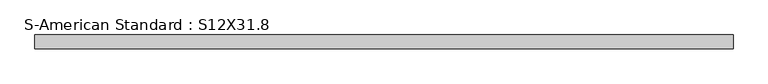
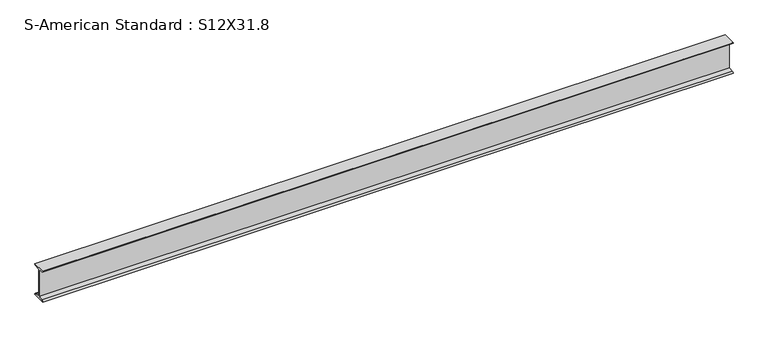
"""IFC4 building model written with IfcOpenShell, lengths in millimetres: beam geometry, S-American Standard : S12X31.8."""

from ifc_helpers import new_model, si_unit, point, frame, frame_2d, origin, place, context, project, spatial, polyline, circle_curve, trimmed, segment, composite_curve, outline, extrude, source, transform, mapped, element, save


def s_american_standard_s12x31_8_2ed5039e(model_context):
    return source(origin(), model_context, "Body", "SweptSolid", [
        extrude(outline(composite_curve([segment(polyline([(-63.5, 152.4), (63.5, 152.4)]), True, "CONTINUOUS"), segment(trimmed(circle_curve(frame_2d((49.7, 152.4)), 13.8), [point((63.5, 152.4))], [point((49.7, 138.6))], False, "CARTESIAN"), True, "CONTINUOUS"), segment(polyline([(49.7, 138.6), (4.45, 131.4331041), (4.45, -131.4331041), (49.7, -138.6)]), True, "CONTINUOUS"), segment(trimmed(circle_curve(frame_2d((49.7, -152.4)), 13.8), [point((49.7, -138.6))], [point((63.5, -152.4))], False, "CARTESIAN"), True, "CONTINUOUS"), segment(polyline([(63.5, -152.4), (-63.5, -152.4)]), True, "CONTINUOUS"), segment(trimmed(circle_curve(frame_2d((-49.7, -152.4)), 13.8), [point((-63.5, -152.4))], [point((-49.7, -138.6))], False, "CARTESIAN"), True, "CONTINUOUS"), segment(polyline([(-49.7, -138.6), (-4.45, -131.4331041), (-4.45, 131.4331041), (-49.7, 138.6)]), True, "CONTINUOUS"), segment(trimmed(circle_curve(frame_2d((-49.7, 152.4)), 13.8), [point((-49.7, 138.6))], [point((-63.5, 152.4))], False, "CARTESIAN"), True, "CONTINUOUS")], self_intersect=False)), frame((-3236.8210581, 0.0, 0.0), z_axis=(1.0, 0.0, 0.0), x_axis=(0.0, 1.0, 0.0)), (0.0, 0.0, 1.0), 6472.1573409),
    ])


if __name__ == "__main__":
    model = new_model("IFC4")
    model_context = context("Model", 3, world=origin())
    ifc_project = project(units=[si_unit("LENGTHUNIT", "METRE", prefix="MILLI")], contexts=[model_context])
    site = spatial("IfcSite", under=ifc_project)
    building = spatial("IfcBuilding", under=site)
    placement = place(None, origin())
    s_american_standard_s12x31_8_shape = s_american_standard_s12x31_8_2ed5039e(model_context)
    element("IfcBeam", 1, ObjectType="S-American Standard : S12X31.8", at=placement, inside=building, context=model_context, shape_type="MappedRepresentation", body=[
        mapped(s_american_standard_s12x31_8_shape, transform((0.0, 0.0, 0.0), x_axis=(1.0, 0.0, 0.0), y_axis=(0.0, 1.0, 0.0), z_axis=(0.0, 0.0, 1.0))),
    ])
    save(model, "model.ifc")
